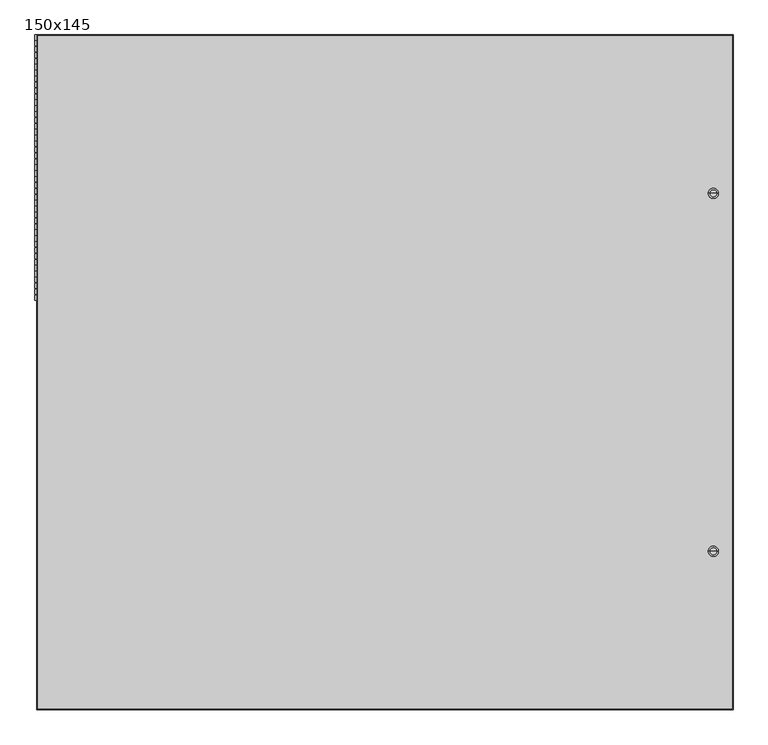
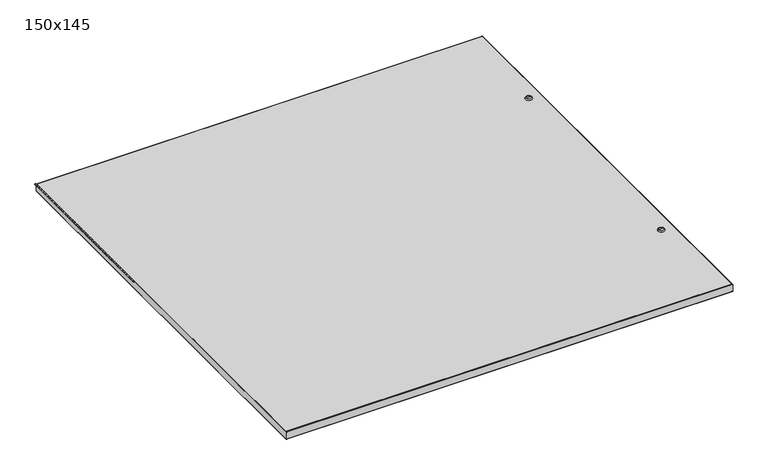
"""IFC4 building model written with IfcOpenShell, lengths in millimetres: proxy geometry, 150x145."""

from ifc_helpers import new_model, si_unit, point, frame, frame_2d, origin, place, context, project, spatial, polyline, circle_curve, ellipse_curve, trimmed, segment, composite_curve, outline, extrude, source, transform, mapped, element, save
from ifc_brep_helpers import plane_surface, cylinder_surface, revolved_surface, advanced_brep


def proxy_150x145_5ff3a42e(model_context):
    return source(origin(), model_context, "Body", "SolidModel", [
        extrude(outline(composite_curve([segment(trimmed(circle_curve(frame_2d((0.0, -150.415625)), 1.984375), [point((0.0, -152.4))], [point((0.0, -148.43125))], False, "CARTESIAN"), True, "CONTINUOUS"), segment(trimmed(circle_curve(frame_2d((0.0, -150.415625)), 1.984375), [point((0.0, -148.43125))], [point((0.0, -152.4))], False, "CARTESIAN"), True, "CONTINUOUS")], self_intersect=False)), frame((0.0, 155.0875, 0.0), z_axis=(0.0, 1.0, 0.0), x_axis=(0.0, 0.0, 1.0)), (0.0, 0.0, 1.0), 11.1125),
        extrude(outline(composite_curve([segment(trimmed(circle_curve(frame_2d((0.0, -150.415625)), 1.984375), [point((0.0, -152.4))], [point((0.0, -148.43125))], False, "CARTESIAN"), True, "CONTINUOUS"), segment(trimmed(circle_curve(frame_2d((0.0, -150.415625)), 1.984375), [point((0.0, -148.43125))], [point((0.0, -152.4))], False, "CARTESIAN"), True, "CONTINUOUS")], self_intersect=False)), frame((0.0, 167.7875, 0.0), z_axis=(0.0, 1.0, 0.0), x_axis=(0.0, 0.0, 1.0)), (0.0, 0.0, 1.0), 11.1125),
        extrude(outline(composite_curve([segment(trimmed(circle_curve(frame_2d((0.0, -150.415625)), 1.984375), [point((0.0, -152.4))], [point((0.0, -148.43125))], False, "CARTESIAN"), True, "CONTINUOUS"), segment(trimmed(circle_curve(frame_2d((0.0, -150.415625)), 1.984375), [point((0.0, -148.43125))], [point((0.0, -152.4))], False, "CARTESIAN"), True, "CONTINUOUS")], self_intersect=False)), frame((0.0, 180.4875, 0.0), z_axis=(0.0, 1.0, 0.0), x_axis=(0.0, 0.0, 1.0)), (0.0, 0.0, 1.0), 11.1125),
        extrude(outline(composite_curve([segment(trimmed(circle_curve(frame_2d((0.0, -150.415625)), 1.984375), [point((0.0, -152.4))], [point((0.0, -148.43125))], False, "CARTESIAN"), True, "CONTINUOUS"), segment(trimmed(circle_curve(frame_2d((0.0, -150.415625)), 1.984375), [point((0.0, -148.43125))], [point((0.0, -152.4))], False, "CARTESIAN"), True, "CONTINUOUS")], self_intersect=False)), frame((0.0, 193.1875, 0.0), z_axis=(0.0, 1.0, 0.0), x_axis=(0.0, 0.0, 1.0)), (0.0, 0.0, 1.0), 11.1125),
        extrude(outline(composite_curve([segment(trimmed(circle_curve(frame_2d((0.0, -150.415625)), 1.984375), [point((0.0, -152.4))], [point((0.0, -148.43125))], False, "CARTESIAN"), True, "CONTINUOUS"), segment(trimmed(circle_curve(frame_2d((0.0, -150.415625)), 1.984375), [point((0.0, -148.43125))], [point((0.0, -152.4))], False, "CARTESIAN"), True, "CONTINUOUS")], self_intersect=False)), frame((0.0, 205.8875, 0.0), z_axis=(0.0, 1.0, 0.0), x_axis=(0.0, 0.0, 1.0)), (0.0, 0.0, 1.0), 11.1125),
        extrude(outline(composite_curve([segment(trimmed(circle_curve(frame_2d((0.0, -150.415625)), 1.984375), [point((0.0, -152.4))], [point((0.0, -148.43125))], False, "CARTESIAN"), True, "CONTINUOUS"), segment(trimmed(circle_curve(frame_2d((0.0, -150.415625)), 1.984375), [point((0.0, -148.43125))], [point((0.0, -152.4))], False, "CARTESIAN"), True, "CONTINUOUS")], self_intersect=False)), frame((0.0, 218.5875, 0.0), z_axis=(0.0, 1.0, 0.0), x_axis=(0.0, 0.0, 1.0)), (0.0, 0.0, 1.0), 11.1125),
        extrude(outline(composite_curve([segment(trimmed(circle_curve(frame_2d((0.0, -150.415625)), 1.984375), [point((0.0, -152.4))], [point((0.0, -148.43125))], False, "CARTESIAN"), True, "CONTINUOUS"), segment(trimmed(circle_curve(frame_2d((0.0, -150.415625)), 1.984375), [point((0.0, -148.43125))], [point((0.0, -152.4))], False, "CARTESIAN"), True, "CONTINUOUS")], self_intersect=False)), frame((0.0, 231.2875, 0.0), z_axis=(0.0, 1.0, 0.0), x_axis=(0.0, 0.0, 1.0)), (0.0, 0.0, 1.0), 11.1125),
        extrude(outline(composite_curve([segment(trimmed(circle_curve(frame_2d((0.0, -150.415625)), 1.984375), [point((0.0, -152.4))], [point((0.0, -148.43125))], False, "CARTESIAN"), True, "CONTINUOUS"), segment(trimmed(circle_curve(frame_2d((0.0, -150.415625)), 1.984375), [point((0.0, -148.43125))], [point((0.0, -152.4))], False, "CARTESIAN"), True, "CONTINUOUS")], self_intersect=False)), frame((0.0, 243.9875, 0.0), z_axis=(0.0, 1.0, 0.0), x_axis=(0.0, 0.0, 1.0)), (0.0, 0.0, 1.0), 11.1125),
        extrude(outline(composite_curve([segment(trimmed(circle_curve(frame_2d((0.0, -150.415625)), 1.984375), [point((0.0, -152.4))], [point((0.0, -148.43125))], False, "CARTESIAN"), True, "CONTINUOUS"), segment(trimmed(circle_curve(frame_2d((0.0, -150.415625)), 1.984375), [point((0.0, -148.43125))], [point((0.0, -152.4))], False, "CARTESIAN"), True, "CONTINUOUS")], self_intersect=False)), frame((0.0, 256.6875, 0.0), z_axis=(0.0, 1.0, 0.0), x_axis=(0.0, 0.0, 1.0)), (0.0, 0.0, 1.0), 11.1125),
        extrude(outline(composite_curve([segment(trimmed(circle_curve(frame_2d((0.0, -150.415625)), 1.984375), [point((0.0, -152.4))], [point((0.0, -148.43125))], False, "CARTESIAN"), True, "CONTINUOUS"), segment(trimmed(circle_curve(frame_2d((0.0, -150.415625)), 1.984375), [point((0.0, -148.43125))], [point((0.0, -152.4))], False, "CARTESIAN"), True, "CONTINUOUS")], self_intersect=False)), frame((0.0, 269.3875, 0.0), z_axis=(0.0, 1.0, 0.0), x_axis=(0.0, 0.0, 1.0)), (0.0, 0.0, 1.0), 11.1125),
        extrude(outline(composite_curve([segment(trimmed(circle_curve(frame_2d((0.0, -150.415625)), 1.984375), [point((0.0, -152.4))], [point((0.0, -148.43125))], False, "CARTESIAN"), True, "CONTINUOUS"), segment(trimmed(circle_curve(frame_2d((0.0, -150.415625)), 1.984375), [point((0.0, -148.43125))], [point((0.0, -152.4))], False, "CARTESIAN"), True, "CONTINUOUS")], self_intersect=False)), frame((0.0, 282.0875, 0.0), z_axis=(0.0, 1.0, 0.0), x_axis=(0.0, 0.0, 1.0)), (0.0, 0.0, 1.0), 11.1125),
        extrude(outline(composite_curve([segment(trimmed(circle_curve(frame_2d((0.0, -150.415625)), 1.984375), [point((0.0, -152.4))], [point((0.0, -148.43125))], False, "CARTESIAN"), True, "CONTINUOUS"), segment(trimmed(circle_curve(frame_2d((0.0, -150.415625)), 1.984375), [point((0.0, -148.43125))], [point((0.0, -152.4))], False, "CARTESIAN"), True, "CONTINUOUS")], self_intersect=False)), frame((0.0, 294.7875, 0.0), z_axis=(0.0, 1.0, 0.0), x_axis=(0.0, 0.0, 1.0)), (0.0, 0.0, 1.0), 11.1125),
        extrude(outline(composite_curve([segment(trimmed(circle_curve(frame_2d((0.0, -150.415625)), 1.984375), [point((0.0, -152.4))], [point((0.0, -148.43125))], False, "CARTESIAN"), True, "CONTINUOUS"), segment(trimmed(circle_curve(frame_2d((0.0, -150.415625)), 1.984375), [point((0.0, -148.43125))], [point((0.0, -152.4))], False, "CARTESIAN"), True, "CONTINUOUS")], self_intersect=False)), frame((0.0, 307.4875, 0.0), z_axis=(0.0, 1.0, 0.0), x_axis=(0.0, 0.0, 1.0)), (0.0, 0.0, 1.0), 11.1125),
        extrude(outline(composite_curve([segment(trimmed(circle_curve(frame_2d((0.0, -150.415625)), 1.984375), [point((0.0, -152.4))], [point((0.0, -148.43125))], False, "CARTESIAN"), True, "CONTINUOUS"), segment(trimmed(circle_curve(frame_2d((0.0, -150.415625)), 1.984375), [point((0.0, -148.43125))], [point((0.0, -152.4))], False, "CARTESIAN"), True, "CONTINUOUS")], self_intersect=False)), frame((0.0, 320.1875, 0.0), z_axis=(0.0, 1.0, 0.0), x_axis=(0.0, 0.0, 1.0)), (0.0, 0.0, 1.0), 11.1125),
        extrude(outline(composite_curve([segment(trimmed(circle_curve(frame_2d((0.0, -150.415625)), 1.984375), [point((0.0, -152.4))], [point((0.0, -148.43125))], False, "CARTESIAN"), True, "CONTINUOUS"), segment(trimmed(circle_curve(frame_2d((0.0, -150.415625)), 1.984375), [point((0.0, -148.43125))], [point((0.0, -152.4))], False, "CARTESIAN"), True, "CONTINUOUS")], self_intersect=False)), frame((0.0, 332.8875, 0.0), z_axis=(0.0, 1.0, 0.0), x_axis=(0.0, 0.0, 1.0)), (0.0, 0.0, 1.0), 11.1125),
        extrude(outline(composite_curve([segment(trimmed(circle_curve(frame_2d((0.0, -150.415625)), 1.984375), [point((0.0, -152.4))], [point((0.0, -148.43125))], False, "CARTESIAN"), True, "CONTINUOUS"), segment(trimmed(circle_curve(frame_2d((0.0, -150.415625)), 1.984375), [point((0.0, -148.43125))], [point((0.0, -152.4))], False, "CARTESIAN"), True, "CONTINUOUS")], self_intersect=False)), frame((0.0, 345.5875, 0.0), z_axis=(0.0, 1.0, 0.0), x_axis=(0.0, 0.0, 1.0)), (0.0, 0.0, 1.0), 11.1125),
        extrude(outline(composite_curve([segment(trimmed(circle_curve(frame_2d((0.0, -150.415625)), 1.984375), [point((0.0, -152.4))], [point((0.0, -148.43125))], False, "CARTESIAN"), True, "CONTINUOUS"), segment(trimmed(circle_curve(frame_2d((0.0, -150.415625)), 1.984375), [point((0.0, -148.43125))], [point((0.0, -152.4))], False, "CARTESIAN"), True, "CONTINUOUS")], self_intersect=False)), frame((0.0, 358.2875, 0.0), z_axis=(0.0, 1.0, 0.0), x_axis=(0.0, 0.0, 1.0)), (0.0, 0.0, 1.0), 11.1125),
        extrude(outline(composite_curve([segment(trimmed(circle_curve(frame_2d((0.0, -150.415625)), 1.984375), [point((0.0, -152.4))], [point((0.0, -148.43125))], False, "CARTESIAN"), True, "CONTINUOUS"), segment(trimmed(circle_curve(frame_2d((0.0, -150.415625)), 1.984375), [point((0.0, -148.43125))], [point((0.0, -152.4))], False, "CARTESIAN"), True, "CONTINUOUS")], self_intersect=False)), frame((0.0, 370.9875, 0.0), z_axis=(0.0, 1.0, 0.0), x_axis=(0.0, 0.0, 1.0)), (0.0, 0.0, 1.0), 11.1125),
        extrude(outline(composite_curve([segment(trimmed(circle_curve(frame_2d((0.0, -150.415625)), 1.984375), [point((0.0, -152.4))], [point((0.0, -148.43125))], False, "CARTESIAN"), True, "CONTINUOUS"), segment(trimmed(circle_curve(frame_2d((0.0, -150.415625)), 1.984375), [point((0.0, -148.43125))], [point((0.0, -152.4))], False, "CARTESIAN"), True, "CONTINUOUS")], self_intersect=False)), frame((0.0, 383.6875, 0.0), z_axis=(0.0, 1.0, 0.0), x_axis=(0.0, 0.0, 1.0)), (0.0, 0.0, 1.0), 11.1125),
        extrude(outline(composite_curve([segment(trimmed(circle_curve(frame_2d((0.0, -150.415625)), 1.984375), [point((0.0, -152.4))], [point((0.0, -148.43125))], False, "CARTESIAN"), True, "CONTINUOUS"), segment(trimmed(circle_curve(frame_2d((0.0, -150.415625)), 1.984375), [point((0.0, -148.43125))], [point((0.0, -152.4))], False, "CARTESIAN"), True, "CONTINUOUS")], self_intersect=False)), frame((0.0, 396.3875, 0.0), z_axis=(0.0, 1.0, 0.0), x_axis=(0.0, 0.0, 1.0)), (0.0, 0.0, 1.0), 11.1125),
        extrude(outline(composite_curve([segment(trimmed(circle_curve(frame_2d((0.0, -150.415625)), 1.984375), [point((0.0, -152.4))], [point((0.0, -148.43125))], False, "CARTESIAN"), True, "CONTINUOUS"), segment(trimmed(circle_curve(frame_2d((0.0, -150.415625)), 1.984375), [point((0.0, -148.43125))], [point((0.0, -152.4))], False, "CARTESIAN"), True, "CONTINUOUS")], self_intersect=False)), frame((0.0, 409.0875, 0.0), z_axis=(0.0, 1.0, 0.0), x_axis=(0.0, 0.0, 1.0)), (0.0, 0.0, 1.0), 11.1125),
        extrude(outline(composite_curve([segment(trimmed(circle_curve(frame_2d((0.0, -150.415625)), 1.984375), [point((0.0, -152.4))], [point((0.0, -148.43125))], False, "CARTESIAN"), True, "CONTINUOUS"), segment(trimmed(circle_curve(frame_2d((0.0, -150.415625)), 1.984375), [point((0.0, -148.43125))], [point((0.0, -152.4))], False, "CARTESIAN"), True, "CONTINUOUS")], self_intersect=False)), frame((0.0, 421.7875, 0.0), z_axis=(0.0, 1.0, 0.0), x_axis=(0.0, 0.0, 1.0)), (0.0, 0.0, 1.0), 11.1125),
        extrude(outline(composite_curve([segment(trimmed(circle_curve(frame_2d((0.0, -150.415625)), 1.984375), [point((0.0, -152.4))], [point((0.0, -148.43125))], False, "CARTESIAN"), True, "CONTINUOUS"), segment(trimmed(circle_curve(frame_2d((0.0, -150.415625)), 1.984375), [point((0.0, -148.43125))], [point((0.0, -152.4))], False, "CARTESIAN"), True, "CONTINUOUS")], self_intersect=False)), frame((0.0, 434.4875, 0.0), z_axis=(0.0, 1.0, 0.0), x_axis=(0.0, 0.0, 1.0)), (0.0, 0.0, 1.0), 11.1125),
        extrude(outline(composite_curve([segment(trimmed(circle_curve(frame_2d((0.0, -150.415625)), 1.984375), [point((0.0, -152.4))], [point((0.0, -148.43125))], False, "CARTESIAN"), True, "CONTINUOUS"), segment(trimmed(circle_curve(frame_2d((0.0, -150.415625)), 1.984375), [point((0.0, -148.43125))], [point((0.0, -152.4))], False, "CARTESIAN"), True, "CONTINUOUS")], self_intersect=False)), frame((0.0, 447.1875, 0.0), z_axis=(0.0, 1.0, 0.0), x_axis=(0.0, 0.0, 1.0)), (0.0, 0.0, 1.0), 11.1125),
        extrude(outline(composite_curve([segment(trimmed(circle_curve(frame_2d((0.0, -150.415625)), 1.984375), [point((0.0, -152.4))], [point((0.0, -148.43125))], False, "CARTESIAN"), True, "CONTINUOUS"), segment(trimmed(circle_curve(frame_2d((0.0, -150.415625)), 1.984375), [point((0.0, -148.43125))], [point((0.0, -152.4))], False, "CARTESIAN"), True, "CONTINUOUS")], self_intersect=False)), frame((0.0, 459.8875, 0.0), z_axis=(0.0, 1.0, 0.0), x_axis=(0.0, 0.0, 1.0)), (0.0, 0.0, 1.0), 11.1125),
        extrude(outline(composite_curve([segment(trimmed(circle_curve(frame_2d((0.0, -150.415625)), 1.984375), [point((0.0, -152.4))], [point((0.0, -148.43125))], False, "CARTESIAN"), True, "CONTINUOUS"), segment(trimmed(circle_curve(frame_2d((0.0, -150.415625)), 1.984375), [point((0.0, -148.43125))], [point((0.0, -152.4))], False, "CARTESIAN"), True, "CONTINUOUS")], self_intersect=False)), frame((0.0, 472.5875, 0.0), z_axis=(0.0, 1.0, 0.0), x_axis=(0.0, 0.0, 1.0)), (0.0, 0.0, 1.0), 11.1125),
        extrude(outline(composite_curve([segment(trimmed(circle_curve(frame_2d((0.0, -150.415625)), 1.984375), [point((0.0, -152.4))], [point((0.0, -148.43125))], False, "CARTESIAN"), True, "CONTINUOUS"), segment(trimmed(circle_curve(frame_2d((0.0, -150.415625)), 1.984375), [point((0.0, -148.43125))], [point((0.0, -152.4))], False, "CARTESIAN"), True, "CONTINUOUS")], self_intersect=False)), frame((0.0, 485.2875, 0.0), z_axis=(0.0, 1.0, 0.0), x_axis=(0.0, 0.0, 1.0)), (0.0, 0.0, 1.0), 11.1125),
        extrude(outline(composite_curve([segment(trimmed(circle_curve(frame_2d((0.0, -150.415625)), 1.984375), [point((0.0, -152.4))], [point((0.0, -148.43125))], False, "CARTESIAN"), True, "CONTINUOUS"), segment(trimmed(circle_curve(frame_2d((0.0, -150.415625)), 1.984375), [point((0.0, -148.43125))], [point((0.0, -152.4))], False, "CARTESIAN"), True, "CONTINUOUS")], self_intersect=False)), frame((0.0, 497.9875, 0.0), z_axis=(0.0, 1.0, 0.0), x_axis=(0.0, 0.0, 1.0)), (0.0, 0.0, 1.0), 11.1125),
        extrude(outline(composite_curve([segment(trimmed(circle_curve(frame_2d((0.0, -150.415625)), 1.984375), [point((0.0, -152.4))], [point((0.0, -148.43125))], False, "CARTESIAN"), True, "CONTINUOUS"), segment(trimmed(circle_curve(frame_2d((0.0, -150.415625)), 1.984375), [point((0.0, -148.43125))], [point((0.0, -152.4))], False, "CARTESIAN"), True, "CONTINUOUS")], self_intersect=False)), frame((0.0, 510.6875, 0.0), z_axis=(0.0, 1.0, 0.0), x_axis=(0.0, 0.0, 1.0)), (0.0, 0.0, 1.0), 11.1125),
        extrude(outline(composite_curve([segment(trimmed(circle_curve(frame_2d((0.0, -150.415625)), 1.984375), [point((0.0, -152.4))], [point((0.0, -148.43125))], False, "CARTESIAN"), True, "CONTINUOUS"), segment(trimmed(circle_curve(frame_2d((0.0, -150.415625)), 1.984375), [point((0.0, -148.43125))], [point((0.0, -152.4))], False, "CARTESIAN"), True, "CONTINUOUS")], self_intersect=False)), frame((0.0, 523.3875, 0.0), z_axis=(0.0, 1.0, 0.0), x_axis=(0.0, 0.0, 1.0)), (0.0, 0.0, 1.0), 11.1125),
        extrude(outline(composite_curve([segment(trimmed(circle_curve(frame_2d((0.0, -150.415625)), 1.984375), [point((0.0, -152.4))], [point((0.0, -148.43125))], False, "CARTESIAN"), True, "CONTINUOUS"), segment(trimmed(circle_curve(frame_2d((0.0, -150.415625)), 1.984375), [point((0.0, -148.43125))], [point((0.0, -152.4))], False, "CARTESIAN"), True, "CONTINUOUS")], self_intersect=False)), frame((0.0, 536.0875, 0.0), z_axis=(0.0, 1.0, 0.0), x_axis=(0.0, 0.0, 1.0)), (0.0, 0.0, 1.0), 11.1125),
        extrude(outline(composite_curve([segment(trimmed(circle_curve(frame_2d((0.0, -150.415625)), 1.984375), [point((0.0, -152.4))], [point((0.0, -148.43125))], False, "CARTESIAN"), True, "CONTINUOUS"), segment(trimmed(circle_curve(frame_2d((0.0, -150.415625)), 1.984375), [point((0.0, -148.43125))], [point((0.0, -152.4))], False, "CARTESIAN"), True, "CONTINUOUS")], self_intersect=False)), frame((0.0, 548.7875, 0.0), z_axis=(0.0, 1.0, 0.0), x_axis=(0.0, 0.0, 1.0)), (0.0, 0.0, 1.0), 11.1125),
        extrude(outline(composite_curve([segment(trimmed(circle_curve(frame_2d((0.0, -150.415625)), 1.984375), [point((0.0, -152.4))], [point((0.0, -148.43125))], False, "CARTESIAN"), True, "CONTINUOUS"), segment(trimmed(circle_curve(frame_2d((0.0, -150.415625)), 1.984375), [point((0.0, -148.43125))], [point((0.0, -152.4))], False, "CARTESIAN"), True, "CONTINUOUS")], self_intersect=False)), frame((0.0, 561.4875, 0.0), z_axis=(0.0, 1.0, 0.0), x_axis=(0.0, 0.0, 1.0)), (0.0, 0.0, 1.0), 11.1125),
        extrude(outline(composite_curve([segment(trimmed(circle_curve(frame_2d((0.0, -150.415625)), 1.984375), [point((0.0, -152.4))], [point((0.0, -148.43125))], False, "CARTESIAN"), True, "CONTINUOUS"), segment(trimmed(circle_curve(frame_2d((0.0, -150.415625)), 1.984375), [point((0.0, -148.43125))], [point((0.0, -152.4))], False, "CARTESIAN"), True, "CONTINUOUS")], self_intersect=False)), frame((0.0, 574.1875, 0.0), z_axis=(0.0, 1.0, 0.0), x_axis=(0.0, 0.0, 1.0)), (0.0, 0.0, 1.0), 11.1125),
        extrude(outline(composite_curve([segment(trimmed(circle_curve(frame_2d((0.0, -150.415625)), 1.984375), [point((0.0, -152.4))], [point((0.0, -148.43125))], False, "CARTESIAN"), True, "CONTINUOUS"), segment(trimmed(circle_curve(frame_2d((0.0, -150.415625)), 1.984375), [point((0.0, -148.43125))], [point((0.0, -152.4))], False, "CARTESIAN"), True, "CONTINUOUS")], self_intersect=False)), frame((0.0, 586.8875, 0.0), z_axis=(0.0, 1.0, 0.0), x_axis=(0.0, 0.0, 1.0)), (0.0, 0.0, 1.0), 11.1125),
        extrude(outline(composite_curve([segment(trimmed(circle_curve(frame_2d((0.0, -150.415625)), 1.984375), [point((0.0, -152.4))], [point((0.0, -148.43125))], False, "CARTESIAN"), True, "CONTINUOUS"), segment(trimmed(circle_curve(frame_2d((0.0, -150.415625)), 1.984375), [point((0.0, -148.43125))], [point((0.0, -152.4))], False, "CARTESIAN"), True, "CONTINUOUS")], self_intersect=False)), frame((0.0, 599.5875, 0.0), z_axis=(0.0, 1.0, 0.0), x_axis=(0.0, 0.0, 1.0)), (0.0, 0.0, 1.0), 11.1125),
        extrude(outline(composite_curve([segment(trimmed(circle_curve(frame_2d((0.0, -150.415625)), 1.984375), [point((0.0, -152.4))], [point((0.0, -148.43125))], False, "CARTESIAN"), True, "CONTINUOUS"), segment(trimmed(circle_curve(frame_2d((0.0, -150.415625)), 1.984375), [point((0.0, -148.43125))], [point((0.0, -152.4))], False, "CARTESIAN"), True, "CONTINUOUS")], self_intersect=False)), frame((0.0, 612.2875, 0.0), z_axis=(0.0, 1.0, 0.0), x_axis=(0.0, 0.0, 1.0)), (0.0, 0.0, 1.0), 11.1125),
        extrude(outline(composite_curve([segment(trimmed(circle_curve(frame_2d((0.0, -150.415625)), 1.984375), [point((0.0, -152.4))], [point((0.0, -148.43125))], False, "CARTESIAN"), True, "CONTINUOUS"), segment(trimmed(circle_curve(frame_2d((0.0, -150.415625)), 1.984375), [point((0.0, -148.43125))], [point((0.0, -152.4))], False, "CARTESIAN"), True, "CONTINUOUS")], self_intersect=False)), frame((0.0, 624.9875, 0.0), z_axis=(0.0, 1.0, 0.0), x_axis=(0.0, 0.0, 1.0)), (0.0, 0.0, 1.0), 11.1125),
        extrude(outline(composite_curve([segment(trimmed(circle_curve(frame_2d((0.0, -150.415625)), 1.984375), [point((0.0, -152.4))], [point((0.0, -148.43125))], False, "CARTESIAN"), True, "CONTINUOUS"), segment(trimmed(circle_curve(frame_2d((0.0, -150.415625)), 1.984375), [point((0.0, -148.43125))], [point((0.0, -152.4))], False, "CARTESIAN"), True, "CONTINUOUS")], self_intersect=False)), frame((0.0, 637.6875, 0.0), z_axis=(0.0, 1.0, 0.0), x_axis=(0.0, 0.0, 1.0)), (0.0, 0.0, 1.0), 11.1125),
        extrude(outline(composite_curve([segment(trimmed(circle_curve(frame_2d((0.0, -150.415625)), 1.984375), [point((0.0, -152.4))], [point((0.0, -148.43125))], False, "CARTESIAN"), True, "CONTINUOUS"), segment(trimmed(circle_curve(frame_2d((0.0, -150.415625)), 1.984375), [point((0.0, -148.43125))], [point((0.0, -152.4))], False, "CARTESIAN"), True, "CONTINUOUS")], self_intersect=False)), frame((0.0, 650.3875, 0.0), z_axis=(0.0, 1.0, 0.0), x_axis=(0.0, 0.0, 1.0)), (0.0, 0.0, 1.0), 11.1125),
        extrude(outline(composite_curve([segment(trimmed(circle_curve(frame_2d((0.0, -150.415625)), 1.984375), [point((0.0, -152.4))], [point((0.0, -148.43125))], False, "CARTESIAN"), True, "CONTINUOUS"), segment(trimmed(circle_curve(frame_2d((0.0, -150.415625)), 1.984375), [point((0.0, -148.43125))], [point((0.0, -152.4))], False, "CARTESIAN"), True, "CONTINUOUS")], self_intersect=False)), frame((0.0, 663.0875, 0.0), z_axis=(0.0, 1.0, 0.0), x_axis=(0.0, 0.0, 1.0)), (0.0, 0.0, 1.0), 11.1125),
        extrude(outline(composite_curve([segment(trimmed(circle_curve(frame_2d((0.0, -150.415625)), 1.984375), [point((0.0, -152.4))], [point((0.0, -148.43125))], False, "CARTESIAN"), True, "CONTINUOUS"), segment(trimmed(circle_curve(frame_2d((0.0, -150.415625)), 1.984375), [point((0.0, -148.43125))], [point((0.0, -152.4))], False, "CARTESIAN"), True, "CONTINUOUS")], self_intersect=False)), frame((0.0, 675.7875, 0.0), z_axis=(0.0, 1.0, 0.0), x_axis=(0.0, 0.0, 1.0)), (0.0, 0.0, 1.0), 11.1125),
        extrude(outline(composite_curve([segment(trimmed(circle_curve(frame_2d((0.0, -150.415625)), 1.984375), [point((0.0, -152.4))], [point((0.0, -148.43125))], False, "CARTESIAN"), True, "CONTINUOUS"), segment(trimmed(circle_curve(frame_2d((0.0, -150.415625)), 1.984375), [point((0.0, -148.43125))], [point((0.0, -152.4))], False, "CARTESIAN"), True, "CONTINUOUS")], self_intersect=False)), frame((0.0, 688.4875, 0.0), z_axis=(0.0, 1.0, 0.0), x_axis=(0.0, 0.0, 1.0)), (0.0, 0.0, 1.0), 11.1125),
        extrude(outline(composite_curve([segment(trimmed(circle_curve(frame_2d((0.0, -150.415625)), 1.984375), [point((0.0, -152.4))], [point((0.0, -148.43125))], False, "CARTESIAN"), True, "CONTINUOUS"), segment(trimmed(circle_curve(frame_2d((0.0, -150.415625)), 1.984375), [point((0.0, -148.43125))], [point((0.0, -152.4))], False, "CARTESIAN"), True, "CONTINUOUS")], self_intersect=False)), frame((0.0, 713.8875, 0.0), z_axis=(0.0, 1.0, 0.0), x_axis=(0.0, 0.0, 1.0)), (0.0, 0.0, 1.0), 11.1125),
        extrude(outline(composite_curve([segment(trimmed(circle_curve(frame_2d((0.0, -150.415625)), 1.984375), [point((0.0, -152.4))], [point((0.0, -148.43125))], False, "CARTESIAN"), True, "CONTINUOUS"), segment(trimmed(circle_curve(frame_2d((0.0, -150.415625)), 1.984375), [point((0.0, -148.43125))], [point((0.0, -152.4))], False, "CARTESIAN"), True, "CONTINUOUS")], self_intersect=False)), frame((0.0, 701.1875, 0.0), z_axis=(0.0, 1.0, 0.0), x_axis=(0.0, 0.0, 1.0)), (0.0, 0.0, 1.0), 11.1125),
        advanced_brep(
        [(1312.4501833, 384.48125, 3.6318895), (1305.2176306, 384.48125, 3.6318895), (1297.9850779, 384.48125, 3.6318895), (1316.3417336, 384.48125, 0.0), (1294.0935276, 384.48125, 0.0), (1305.2176306, 384.48125, 0.0)],
        [
            (0, 1),
            (1, 2),
            (2, 0, circle_curve(frame((1305.2176306, 384.48125, 3.6318895), z_axis=(0.0, 0.0, 1.0), x_axis=(-1.0, 0.0, 0.0)), 7.2325527)),
            (0, 2, circle_curve(frame((1305.2176306, 384.48125, 3.6318895), z_axis=(0.0, 0.0, 1.0), x_axis=(-1.0, 0.0, 0.0)), 7.2325527)),
            (3, 0, circle_curve(frame((1312.5016487, 384.48125, -0.213798), z_axis=(0.0, -1.0, 0.0), x_axis=(-1.0, 0.0, 0.0)), 3.8460319)),
            (2, 4, circle_curve(frame((1297.9336125, 384.48125, -0.213798), z_axis=(0.0, -1.0, 0.0), x_axis=(1.0, 0.0, 0.0)), 3.8460319)),
            (4, 3, circle_curve(frame((1305.2176306, 384.48125, 0.0), z_axis=(0.0, 0.0, 1.0), x_axis=(-1.0, 0.0, 0.0)), 11.124103)),
            (3, 4, circle_curve(frame((1305.2176306, 384.48125, 0.0), z_axis=(0.0, 0.0, 1.0), x_axis=(-1.0, 0.0, 0.0)), 11.124103)),
            (5, 3),
            (4, 5),
        ],
        [
            plane_surface(frame((1305.2176306, 384.48125, 3.6318895), z_axis=(0.0, 0.0, 1.0), x_axis=(-1.0, 0.0, 0.0))),
            revolved_surface(trimmed(ellipse_curve(frame((1297.9336125, 384.48125, -0.213798), z_axis=(0.0, -1.0, 0.0), x_axis=(1.0, 0.0, 0.0)), 3.8460319, 3.8460319), [point((1297.9850779, 384.48125, 3.6318895))], [point((1294.0935276, 384.48125, 0.0))], True, "CARTESIAN"), (1305.2176306, 384.48125, 3.6318895), (0.0, 0.0, -1.0)),
            plane_surface(frame((1305.2176306, 384.48125, 0.0), z_axis=(0.0, 0.0, -1.0), x_axis=(-1.0, 0.0, 0.0))),
        ],
        [
            (0, [[1, 2, 3]]),
            (0, [[-2, -1, 4]]),
            (1, [[5, -3, 6, 7]]),
            (1, [[-6, -4, -5, 8]]),
            (2, [[9, -7, 10]]),
            (2, [[-10, -8, -9]]),
        ],
    ),
        advanced_brep(
        [(1312.4501833, -384.48125, 3.6318895), (1305.2176306, -384.48125, 3.6318895), (1297.9850779, -384.48125, 3.6318895), (1316.3417336, -384.48125, 0.0), (1294.0935276, -384.48125, 0.0), (1305.2176306, -384.48125, 0.0)],
        [
            (0, 1),
            (1, 2),
            (2, 0, circle_curve(frame((1305.2176306, -384.48125, 3.6318895), z_axis=(0.0, 0.0, 1.0), x_axis=(-1.0, 0.0, 0.0)), 7.2325527)),
            (0, 2, circle_curve(frame((1305.2176306, -384.48125, 3.6318895), z_axis=(0.0, 0.0, 1.0), x_axis=(-1.0, 0.0, 0.0)), 7.2325527)),
            (3, 0, circle_curve(frame((1312.5016487, -384.48125, -0.213798), z_axis=(0.0, -1.0, 0.0), x_axis=(-1.0, 0.0, 0.0)), 3.8460319)),
            (2, 4, circle_curve(frame((1297.9336125, -384.48125, -0.213798), z_axis=(0.0, -1.0, 0.0), x_axis=(1.0, 0.0, 0.0)), 3.8460319)),
            (4, 3, circle_curve(frame((1305.2176306, -384.48125, 0.0), z_axis=(0.0, 0.0, 1.0), x_axis=(-1.0, 0.0, 0.0)), 11.124103)),
            (3, 4, circle_curve(frame((1305.2176306, -384.48125, 0.0), z_axis=(0.0, 0.0, 1.0), x_axis=(-1.0, 0.0, 0.0)), 11.124103)),
            (5, 3),
            (4, 5),
        ],
        [
            plane_surface(frame((1305.2176306, -384.48125, 3.6318895), z_axis=(0.0, 0.0, 1.0), x_axis=(-1.0, 0.0, 0.0))),
            revolved_surface(trimmed(ellipse_curve(frame((1297.9336125, -384.48125, -0.213798), z_axis=(0.0, -1.0, 0.0), x_axis=(1.0, 0.0, 0.0)), 3.8460319, 3.8460319), [point((1297.9850779, -384.48125, 3.6318895))], [point((1294.0935276, -384.48125, 0.0))], True, "CARTESIAN"), (1305.2176306, -384.48125, 3.6318895), (0.0, 0.0, -1.0)),
            plane_surface(frame((1305.2176306, -384.48125, 0.0), z_axis=(0.0, 0.0, -1.0), x_axis=(-1.0, 0.0, 0.0))),
        ],
        [
            (0, [[1, 2, 3]]),
            (0, [[-2, -1, 4]]),
            (1, [[5, -3, 6, 7]]),
            (1, [[-6, -4, -5, 8]]),
            (2, [[9, -7, 10]]),
            (2, [[-10, -8, -9]]),
        ],
    ),
        extrude(outline(polyline([(-146.62849, -723.1965998), (-146.62849, 723.1965998), (1345.7965998, 723.1965998), (1345.7965998, -723.1965998), (-146.62849, -723.1965998)])), frame((0.0, 0.0, -26.9887015), z_axis=(0.0, 0.0, 1.0), x_axis=(1.0, 0.0, 0.0)), (0.0, 0.0, 1.0), 26.9887015),
        advanced_brep(
        [(-146.6278498, 723.1965998, -26.9887015), (1345.7965998, 723.1965998, -26.9887015), (1345.7965998, 723.1965998, 0.0), (-146.6278498, 723.1965998, 0.0), (-148.43125, 725.0, -25.3594731), (1347.6, 725.0, -25.3594731), (-148.43125, 725.0, -1.8034002), (1347.6, 725.0, -1.8034002), (1345.7965998, -723.1965998, -26.9887015), (1345.7965998, -723.1965998, 0.0), (1347.6, -725.0, -25.3594731), (1347.6, -725.0, -1.8034002), (-146.6278498, -723.1965998, -26.9887015), (-146.6278498, -723.1965998, 0.0), (-148.43125, -725.0, -25.3594731), (-148.43125, -725.0, -1.8034002)],
        [
            (0, 1),
            (1, 2),
            (2, 3),
            (3, 0),
            (4, 5),
            (5, 1, ellipse_curve(frame((1345.7871903, 723.1871903, -25.165576), z_axis=(-0.7071067811865475, 0.7071067811865475, 0.0), x_axis=(-0.7071067811865476, -0.7071067811865474, 0.0)), 2.5783231, 1.8231497)),
            (0, 4, ellipse_curve(frame((-146.6184403, 723.1871903, -25.165576), z_axis=(0.7071067811865475, 0.7071067811865475, 0.0), x_axis=(-0.7071067811865476, 0.7071067811865474, 0.0)), 2.5783231, 1.8231497)),
            (6, 7),
            (7, 5),
            (4, 6),
            (2, 7, ellipse_curve(frame((1345.7965998, 723.1965998, -1.8034002), z_axis=(-0.7071067811865475, 0.7071067811865475, 0.0), x_axis=(-0.7071067811865476, -0.7071067811865474, 0.0)), 2.5503931, 1.8034002)),
            (6, 3, ellipse_curve(frame((-146.6278498, 723.1965998, -1.8034002), z_axis=(0.7071067811865475, 0.7071067811865475, 0.0), x_axis=(-0.7071067811865476, 0.7071067811865474, 0.0)), 2.5503931, 1.8034002)),
            (1, 8),
            (8, 9),
            (9, 2),
            (5, 10),
            (10, 8, ellipse_curve(frame((1345.7871903, -723.1871903, -25.165576), z_axis=(0.7071067811865475, 0.7071067811865475, 0.0), x_axis=(-0.7071067811865474, 0.7071067811865476, 0.0)), 2.5783231, 1.8231497)),
            (7, 11),
            (11, 10),
            (9, 11, ellipse_curve(frame((1345.7965998, -723.1965998, -1.8034002), z_axis=(0.7071067811865475, 0.7071067811865475, 0.0), x_axis=(-0.7071067811865474, 0.7071067811865476, 0.0)), 2.5503931, 1.8034002)),
            (8, 12),
            (12, 13),
            (13, 9),
            (10, 14),
            (14, 12, ellipse_curve(frame((-146.6184403, -723.1871903, -25.165576), z_axis=(0.7071067811865475, -0.7071067811865475, 0.0), x_axis=(0.7071067811865476, 0.7071067811865474, 0.0)), 2.5783231, 1.8231497)),
            (11, 15),
            (15, 14),
            (13, 15, ellipse_curve(frame((-146.6278498, -723.1965998, -1.8034002), z_axis=(0.7071067811865475, -0.7071067811865475, 0.0), x_axis=(0.7071067811865476, 0.7071067811865474, 0.0)), 2.5503931, 1.8034002)),
            (12, 0),
            (3, 13),
            (14, 4),
            (15, 6),
        ],
        [
            plane_surface(frame((-146.6278498, 723.1965998, 0.0), z_axis=(0.0, -1.0, 0.0), x_axis=(1.0, 0.0, 0.0))),
            cylinder_surface(frame((-148.43125, 723.1871903, -25.165576), z_axis=(-1.0, 0.0, 0.0), x_axis=(0.0, -1.0, 0.0)), 1.8231497),
            plane_surface(frame((-148.43125, 725.0, -25.3594731), z_axis=(0.0, 1.0, 0.0), x_axis=(1.0, 0.0, 0.0))),
            cylinder_surface(frame((-148.43125, 723.1965998, -1.8034002), z_axis=(-1.0, 0.0, 0.0), x_axis=(0.0, -1.0, 0.0)), 1.8034002),
            plane_surface(frame((1345.7965998, 723.1965998, 0.0), z_axis=(-1.0, 0.0, 0.0), x_axis=(0.0, -1.0, 0.0))),
            cylinder_surface(frame((1345.7871903, 725.0, -25.165576), z_axis=(0.0, 1.0, 0.0), x_axis=(-1.0, 0.0, 0.0)), 1.8231497),
            plane_surface(frame((1347.6, 725.0, -25.3594731), z_axis=(1.0, 0.0, 0.0), x_axis=(0.0, -1.0, 0.0))),
            cylinder_surface(frame((1345.7965998, 725.0, -1.8034002), z_axis=(0.0, 1.0, 0.0), x_axis=(-1.0, 0.0, 0.0)), 1.8034002),
            plane_surface(frame((1345.7965998, -723.1965998, 0.0), z_axis=(0.0, 1.0, 0.0), x_axis=(-1.0, 0.0, 0.0))),
            cylinder_surface(frame((1347.6, -723.1871903, -25.165576), z_axis=(1.0, 0.0, 0.0), x_axis=(0.0, 1.0, 0.0)), 1.8231497),
            plane_surface(frame((1347.6, -725.0, -25.3594731), z_axis=(0.0, -1.0, 0.0), x_axis=(-1.0, 0.0, 0.0))),
            cylinder_surface(frame((1347.6, -723.1965998, -1.8034002), z_axis=(1.0, 0.0, 0.0), x_axis=(0.0, 1.0, 0.0)), 1.8034002),
            plane_surface(frame((-146.6278498, -723.1965998, 0.0), z_axis=(1.0, 0.0, 0.0), x_axis=(0.0, 1.0, 0.0))),
            cylinder_surface(frame((-146.6184403, -725.0, -25.165576), z_axis=(0.0, -1.0, 0.0), x_axis=(1.0, 0.0, 0.0)), 1.8231497),
            plane_surface(frame((-148.43125, -725.0, -25.3594731), z_axis=(-1.0, 0.0, 0.0), x_axis=(0.0, 1.0, 0.0))),
            cylinder_surface(frame((-146.6278498, -725.0, -1.8034002), z_axis=(0.0, -1.0, 0.0), x_axis=(1.0, 0.0, 0.0)), 1.8034002),
        ],
        [
            (0, [[1, 2, 3, 4]]),
            (1, [[5, 6, -1, 7]]),
            (2, [[8, 9, -5, 10]]),
            (3, [[-3, 11, -8, 12]]),
            (4, [[13, 14, 15, -2]]),
            (5, [[16, 17, -13, -6]]),
            (6, [[18, 19, -16, -9]]),
            (7, [[-15, 20, -18, -11]]),
            (8, [[21, 22, 23, -14]]),
            (9, [[24, 25, -21, -17]]),
            (10, [[26, 27, -24, -19]]),
            (11, [[-23, 28, -26, -20]]),
            (12, [[29, -4, 30, -22]]),
            (13, [[31, -7, -29, -25]]),
            (14, [[32, -10, -31, -27]]),
            (15, [[-30, -12, -32, -28]]),
        ],
    ),
    ])


if __name__ == "__main__":
    model = new_model("IFC4")
    model_context = context("Model", 3, world=origin())
    ifc_project = project(units=[si_unit("LENGTHUNIT", "METRE", prefix="MILLI")], contexts=[model_context])
    site = spatial("IfcSite", under=ifc_project)
    building = spatial("IfcBuilding", under=site)
    placement = place(None, origin())
    proxy_150x145_shape = proxy_150x145_5ff3a42e(model_context)
    element("IfcBuildingElementProxy", 1, Name="150x145", ObjectType="150x145", at=placement, inside=building, context=model_context, shape_type="MappedRepresentation", body=[
        mapped(proxy_150x145_shape, transform((0.0, 0.0, 0.0), x_axis=(1.0, 0.0, 0.0), y_axis=(0.0, 1.0, 0.0), z_axis=(0.0, 0.0, 1.0))),
    ])
    save(model, "model.ifc")
